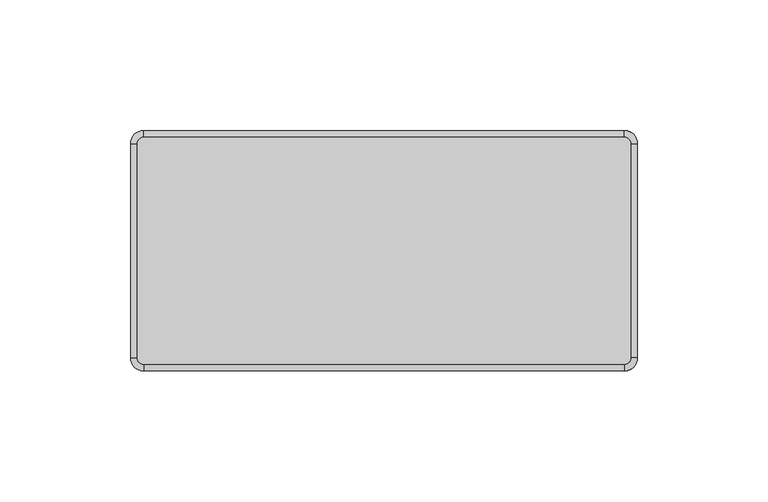
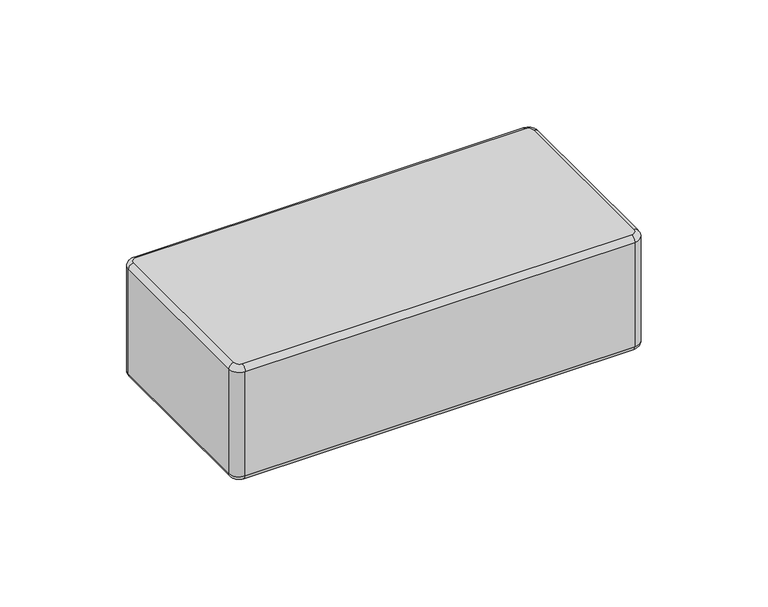
"""IFC4 building model written with IfcOpenShell, lengths in millimetres: plate geometry."""

import ifcopenshell
import ifcopenshell.guid

model = None  # the IFC model being written
_history = None  # IfcOwnerHistory: only IFC2X3 demands one
_inside = {}  # id of a spatial element -> (the spatial element, [elements in it])
_under = {}  # id of a project, library or spatial element -> (it, [spatial elements below it])
_declared = {}  # id of a project -> (the project, [libraries it declares])
_typed = {}  # id of a type object -> (the type object, [elements of that type])
_made_of = {}  # id of a material, layer set ... -> (it, [elements and type objects made of it])


def new_model(schema):
    """Start an empty IFC model of exactly this schema.

    Asked for "IFC4X3", IfcOpenShell would pick the latest addendum, in which some entities
    have other attributes; the version numbers below select the first issue.
    IFC2X3 requires an IfcOwnerHistory on every rooted entity: one is made here for all.
    """
    global model, _history
    if schema == "IFC4X3":
        model = ifcopenshell.file(schema_version=(4, 3, 0, 0))
    else:
        model = ifcopenshell.file(schema=schema)
    _inside.clear()
    _under.clear()
    _declared.clear()
    _typed.clear()
    _made_of.clear()
    _history = None
    if model.schema == "IFC2X3":
        org = make("IfcOrganization", Name="unknown")
        user = make(
            "IfcPersonAndOrganization",
            ThePerson=make("IfcPerson", FamilyName="unknown"),
            TheOrganization=org,
        )
        app = make(
            "IfcApplication",
            ApplicationDeveloper=org,
            Version="unknown",
            ApplicationFullName="unknown",
            ApplicationIdentifier="unknown",
        )
        _history = make(
            "IfcOwnerHistory",
            OwningUser=user,
            OwningApplication=app,
            ChangeAction="ADDED",
            CreationDate=0,
        )
    return model


def make(cls, **values):
    """One entity of the class cls with the attributes given. An attribute that is None is left unset."""
    return model.create_entity(
        cls, **{name: value for name, value in values.items() if value is not None}
    )


def rooted(cls, **values):
    """An entity with a GlobalId (a new one), such as an element, a storey or a relation."""
    return make(cls, GlobalId=ifcopenshell.guid.new(), OwnerHistory=_history, **values)


def si_unit(unit_type, name, prefix=None):
    """IfcSIUnit, for example si_unit("LENGTHUNIT", "METRE", prefix="MILLI")."""
    return make("IfcSIUnit", UnitType=unit_type, Prefix=prefix, Name=name)


def assignment(units):
    """IfcUnitAssignment: the units of a project."""
    return None if units is None else make("IfcUnitAssignment", Units=units)


def point(xyz):
    """IfcCartesianPoint."""
    return None if xyz is None else make("IfcCartesianPoint", Coordinates=xyz)


def direction(xyz):
    """IfcDirection."""
    return None if xyz is None else make("IfcDirection", DirectionRatios=xyz)


def frame(location, z_axis=None, x_axis=None):
    """IfcAxis2Placement3D, a coordinate frame: its origin and axes. An axis left out is left unset."""
    return make(
        "IfcAxis2Placement3D",
        Location=point(location),
        Axis=direction(z_axis),
        RefDirection=direction(x_axis),
    )


def origin():
    """The frame at (0, 0, 0) with its axes left unset."""
    return frame((0.0, 0.0, 0.0))


def place(relative_to, where):
    """IfcLocalPlacement: puts the frame where relative to a parent placement (None: the world)."""
    return make(
        "IfcLocalPlacement", PlacementRelTo=relative_to, RelativePlacement=where
    )


def context(
    kind, dimensions, precision=None, world=None, true_north=None, identifier=None
):
    """IfcGeometricRepresentationContext, for example the 3D "Model" context."""
    return make(
        "IfcGeometricRepresentationContext",
        ContextIdentifier=identifier,
        ContextType=kind,
        CoordinateSpaceDimension=dimensions,
        Precision=precision,
        WorldCoordinateSystem=world,
        TrueNorth=true_north,
    )


def project(units=None, contexts=None):
    """IfcProject with its units and contexts."""
    return rooted(
        "IfcProject",
        Name="project",
        RepresentationContexts=contexts,
        UnitsInContext=assignment(units),
    )


def spatial(cls, under=None, at=None, **own):
    """A site, building, storey or space (cls), placed at a placement, below another one or the project."""
    s = rooted(cls, ObjectPlacement=at, **own)
    if under is not None:
        _under.setdefault(under.id(), (under, []))[1].append(s)
    return s


def circle_curve(where, radius):
    """IfcCircle in the frame where."""
    return make("IfcCircle", Position=where, Radius=radius)


def ellipse_curve(where, semi_axis1, semi_axis2):
    """IfcEllipse in the frame where."""
    return make(
        "IfcEllipse", Position=where, SemiAxis1=semi_axis1, SemiAxis2=semi_axis2
    )


def trimmed(basis, trim1, trim2, sense, master):
    """IfcTrimmedCurve: the piece of a basis curve between two trims."""
    return make(
        "IfcTrimmedCurve",
        BasisCurve=basis,
        Trim1=trim1,
        Trim2=trim2,
        SenseAgreement=sense,
        MasterRepresentation=master,
    )


def shape(context_of_items, identifier, shape_type, items):
    """IfcShapeRepresentation: the items that make up one representation, for example the "Body"."""
    return make(
        "IfcShapeRepresentation",
        ContextOfItems=context_of_items,
        RepresentationIdentifier=identifier,
        RepresentationType=shape_type,
        Items=items,
    )


def source(mapping_origin, context_of_items, identifier, shape_type, items):
    """IfcRepresentationMap: a shape defined once, which mapped items show again and again."""
    return make(
        "IfcRepresentationMap",
        MappingOrigin=mapping_origin,
        MappedRepresentation=shape(context_of_items, identifier, shape_type, items),
    )


def transform(
    local_origin,
    x_axis=None,
    y_axis=None,
    z_axis=None,
    scale=None,
    scale2=None,
    scale3=None,
    uniform=True,
):
    """IfcCartesianTransformationOperator3D, or its non-uniform kind. x_axis, y_axis, z_axis: its Axis1, 2, 3."""
    if uniform:
        return make(
            "IfcCartesianTransformationOperator3D",
            Axis1=direction(x_axis),
            Axis2=direction(y_axis),
            LocalOrigin=point(local_origin),
            Scale=scale,
            Axis3=direction(z_axis),
        )
    return make(
        "IfcCartesianTransformationOperator3DnonUniform",
        Axis1=direction(x_axis),
        Axis2=direction(y_axis),
        LocalOrigin=point(local_origin),
        Scale=scale,
        Axis3=direction(z_axis),
        Scale2=scale2,
        Scale3=scale3,
    )


def mapped(mapping_source, mapping_target):
    """IfcMappedItem: shows the shape of a source again, moved by a transform."""
    return make(
        "IfcMappedItem", MappingSource=mapping_source, MappingTarget=mapping_target
    )


def made_of(thing, what):
    """Note that an element or type object is made of a material, layer set ...; save() writes the relation."""
    if what is not None:
        _made_of.setdefault(what.id(), (what, []))[1].append(thing)
    return thing


def element(
    cls,
    number,
    at=None,
    inside=None,
    cuts=None,
    type_object=None,
    material=None,
    context=None,
    identifier="Body",
    shape_type=None,
    held_by="IfcProductDefinitionShape",
    body=None,
    shapes=None,
    **own,
):
    """One element of the class cls, such as IfcWall. Its Tag is "e" and its number.

    at: its placement. inside: the storey or other place that contains it. cuts: it is an
    opening in that element (IfcRelVoidsElement). A single representation is given by context,
    identifier, shape_type and body (its items); several are given by shapes. held_by: the class
    of the entity that holds the representations. save() writes the other relations.
    """
    e = rooted(cls, Tag="e%d" % number, ObjectPlacement=at, **own)
    if body is not None:
        shapes = [shape(context, identifier, shape_type, body)]
    if shapes is not None:
        e.Representation = make(held_by, Representations=shapes)
    if inside is not None:
        _inside.setdefault(inside.id(), (inside, []))[1].append(e)
    if cuts is not None:
        rooted(
            "IfcRelVoidsElement", RelatingBuildingElement=cuts, RelatedOpeningElement=e
        )
    if type_object is not None:
        _typed.setdefault(type_object.id(), (type_object, []))[1].append(e)
    return made_of(e, material)


def aggregate(whole, parts):
    """IfcRelAggregates: a whole, such as a stair, and the parts it consists of."""
    return rooted("IfcRelAggregates", RelatingObject=whole, RelatedObjects=parts)


def save(model, path):
    """Write the relations noted so far, then the file.

    IfcRelAggregates (storeys below a building ...), IfcRelContainedInSpatialStructure (elements
    in a storey), IfcRelDefinesByType, IfcRelAssociatesMaterial and IfcRelDeclares: one each for
    every whole, place, type object, material and project.
    """
    for whole, parts in _under.values():
        aggregate(whole, parts)
    for where, things in _inside.values():
        rooted(
            "IfcRelContainedInSpatialStructure",
            RelatedElements=things,
            RelatingStructure=where,
        )
    for kind, things in _typed.values():
        rooted("IfcRelDefinesByType", RelatedObjects=things, RelatingType=kind)
    for what, things in _made_of.values():
        rooted("IfcRelAssociatesMaterial", RelatedObjects=things, RelatingMaterial=what)
    for by, libraries in _declared.values():
        rooted("IfcRelDeclares", RelatingContext=by, RelatedDefinitions=libraries)
    model.write(path)


def plane_surface(at):
    """IfcPlane: the flat surface through the origin of the frame at, square to its z axis."""
    return make("IfcPlane", Position=at)


def cylinder_surface(at, radius):
    """IfcCylindricalSurface: all points at the distance radius from the z axis of the frame at."""
    return make("IfcCylindricalSurface", Position=at, Radius=radius)


def revolved_surface(curve, axis_point, axis_direction):
    """IfcSurfaceOfRevolution: the curve turned about the line through axis_point along axis_direction."""
    return make(
        "IfcSurfaceOfRevolution",
        SweptCurve=make("IfcArbitraryOpenProfileDef", ProfileType="CURVE", Curve=curve),
        AxisPosition=make("IfcAxis1Placement", Location=point(axis_point), Axis=direction(axis_direction)),
    )


def advanced_brep(points, edges, surfaces, faces):
    """IfcAdvancedBrep: a solid bounded by faces that lie on surfaces and meet in shared edges.

    An edge is (start, end): straight between two places in points (the first is 0);
    or (start, end, curve); or (start, end, curve, False) where it runs against its curve.
    A face is (place in surfaces, loops), or (place, loops, False) where it looks against
    its surface's normal. A loop lists edges by number (the first is 1), with a minus sign
    where the edge is run from its end to its start. The first loop is the outer one.
    """
    corners = [point(p) for p in points]
    vertices = [make("IfcVertexPoint", VertexGeometry=c) for c in corners]
    made = []
    for start, end, *more in edges:
        made.append(
            make(
                "IfcEdgeCurve",
                EdgeStart=vertices[start],
                EdgeEnd=vertices[end],
                EdgeGeometry=more[0] if more else make("IfcPolyline", Points=[corners[start], corners[end]]),
                SameSense=more[1] if len(more) > 1 else True,
            )
        )
    hull = []
    for where, loops, *sense in faces:
        bounds = []
        for j, loop in enumerate(loops):
            ring = [make("IfcOrientedEdge", EdgeElement=made[abs(k) - 1], Orientation=k > 0) for k in loop]
            bounds.append(
                make(
                    "IfcFaceOuterBound" if j == 0 else "IfcFaceBound",
                    Bound=make("IfcEdgeLoop", EdgeList=ring),
                    Orientation=True,
                )
            )
        hull.append(make("IfcAdvancedFace", Bounds=bounds, FaceSurface=surfaces[where], SameSense=sense[0] if sense else True))
    return make("IfcAdvancedBrep", Outer=make("IfcClosedShell", CfsFaces=hull))


def plate_0bc2caab(model_context):
    return source(origin(), model_context, "Body", "AdvancedBrep", [
        advanced_brep(
        [(94.6624998, 41.0, 57.0), (92.1624998, 43.5, 57.0), (-91.8375002, 43.5, 57.0), (-94.3375002, 41.0, 57.0), (-94.3375002, -41.0, 57.0), (-91.8375002, -43.5, 57.0), (92.1624998, -43.5, 57.0), (94.6624998, -41.0, 57.0), (-94.3375002, 41.0, 0.0), (-91.8375002, 43.5, 0.0), (92.1624998, 43.5, 0.0), (94.6624998, 41.0, 0.0), (94.6624998, -41.0, 0.0), (92.1624998, -43.5, 0.0), (-91.8375002, -43.5, 0.0), (-94.3375002, -41.0, 0.0), (-91.8375002, -46.0, 2.5), (92.1624998, -46.0, 2.5), (92.1624998, -46.0, 54.5), (-91.8375002, -46.0, 54.5), (97.1624998, -41.0, 2.5), (97.1624998, 41.0, 2.5), (97.1624998, 41.0, 54.5000019), (97.1624998, -41.0, 54.5), (92.1624998, 46.0, 2.5), (-91.8375002, 46.0, 2.5), (-91.8375002, 46.0, 54.5), (92.1624998, 46.0, 54.5), (-96.8375002, 41.0, 2.5), (-96.8375002, -41.0, 2.5), (-96.8375002, -41.0, 54.5), (-96.8375002, 41.0, 54.5)],
        [
            (0, 1, circle_curve(frame((92.1624998, 41.0, 57.0), z_axis=(0.0, 0.0, 1.0), x_axis=(1.0, 0.0, 0.0)), 2.5)),
            (1, 2),
            (2, 3, circle_curve(frame((-91.8375002, 41.0, 57.0), z_axis=(0.0, 0.0, 1.0), x_axis=(0.0, 1.0, 0.0)), 2.5)),
            (3, 4),
            (4, 5, circle_curve(frame((-91.8375002, -41.0, 57.0), z_axis=(0.0, 0.0, 1.0), x_axis=(-1.0, 0.0, 0.0)), 2.5)),
            (5, 6),
            (6, 7, circle_curve(frame((92.1624998, -41.0, 57.0), z_axis=(0.0, 0.0, 1.0), x_axis=(0.0, -1.0, 0.0)), 2.5)),
            (7, 0),
            (8, 9, circle_curve(frame((-91.8375002, 41.0, 0.0), z_axis=(0.0, 0.0, -1.0), x_axis=(-1.0, 0.0, 0.0)), 2.5)),
            (9, 10),
            (10, 11, circle_curve(frame((92.1624998, 41.0, 0.0), z_axis=(0.0, 0.0, -1.0), x_axis=(0.0, 1.0, 0.0)), 2.5)),
            (11, 12),
            (12, 13, circle_curve(frame((92.1624998, -41.0, 0.0), z_axis=(0.0, 0.0, -1.0), x_axis=(1.0, 0.0, 0.0)), 2.5)),
            (13, 14),
            (14, 15, circle_curve(frame((-91.8375002, -41.0, 0.0), z_axis=(0.0, 0.0, -1.0), x_axis=(0.0, -1.0, 0.0)), 2.5)),
            (15, 8),
            (16, 17),
            (17, 18),
            (18, 19),
            (19, 16),
            (20, 21),
            (21, 22),
            (22, 23),
            (23, 20),
            (24, 25),
            (25, 26),
            (26, 27),
            (27, 24),
            (28, 29),
            (29, 30),
            (30, 31),
            (31, 28),
            (29, 16, circle_curve(frame((-91.8375002, -41.0, 2.5), z_axis=(0.0, 0.0, 1.0), x_axis=(1.0, 0.0, 0.0)), 5.0)),
            (19, 30, circle_curve(frame((-91.8375002, -41.0, 54.5), z_axis=(0.0, 0.0, -1.0), x_axis=(1.0, 0.0, 0.0)), 5.0)),
            (17, 20, circle_curve(frame((92.1624998, -41.0, 2.5), z_axis=(0.0, 0.0, 1.0), x_axis=(1.0, 0.0, 0.0)), 5.0)),
            (23, 18, circle_curve(frame((92.1624998, -41.0, 54.5), z_axis=(0.0, 0.0, -1.0), x_axis=(1.0, 0.0, 0.0)), 5.0)),
            (21, 24, circle_curve(frame((92.1624998, 41.0, 2.5), z_axis=(0.0, 0.0, 1.0), x_axis=(1.0, 0.0, 0.0)), 5.0)),
            (27, 22, circle_curve(frame((92.1624998, 41.0, 54.5), z_axis=(0.0, 0.0, -1.0), x_axis=(1.0, 0.0, 0.0)), 5.0)),
            (25, 28, circle_curve(frame((-91.8375002, 41.0, 2.5), z_axis=(0.0, 0.0, 1.0), x_axis=(1.0, 0.0, 0.0)), 5.0)),
            (31, 26, circle_curve(frame((-91.8375002, 41.0, 54.5), z_axis=(0.0, 0.0, -1.0), x_axis=(1.0, 0.0, 0.0)), 5.0)),
            (25, 9, circle_curve(frame((-91.8375002, 43.5, 2.5), z_axis=(-1.0, 0.0, 0.0), x_axis=(0.0, -1.0, 0.0)), 2.5)),
            (8, 28, circle_curve(frame((-94.3375002, 41.0, 2.5), z_axis=(0.0, 1.0, 0.0), x_axis=(1.0, 0.0, 0.0)), 2.5)),
            (24, 10, circle_curve(frame((92.1624998, 43.5, 2.5), z_axis=(-1.0, 0.0, 0.0), x_axis=(0.0, -1.0, 0.0)), 2.5)),
            (21, 11, circle_curve(frame((94.6624998, 41.0, 2.5), z_axis=(0.0, 1.0, 0.0), x_axis=(-1.0, 0.0, 0.0)), 2.5)),
            (20, 12, circle_curve(frame((94.6624998, -41.0, 2.5), z_axis=(0.0, 1.0, 0.0), x_axis=(-1.0, 0.0, 0.0)), 2.5)),
            (17, 13, circle_curve(frame((92.1624998, -43.5, 2.5), z_axis=(1.0, 0.0, 0.0), x_axis=(0.0, 1.0, 0.0)), 2.5)),
            (16, 14, circle_curve(frame((-91.8375002, -43.5, 2.5), z_axis=(1.0, 0.0, 0.0), x_axis=(0.0, 1.0, 0.0)), 2.5)),
            (29, 15, circle_curve(frame((-94.3375002, -41.0, 2.5), z_axis=(0.0, -1.0, 0.0), x_axis=(1.0, 0.0, 0.0)), 2.5)),
            (27, 1, circle_curve(frame((92.1624998, 43.5, 54.5), z_axis=(1.0, 0.0, 0.0), x_axis=(0.0, -1.0, 0.0)), 2.5)),
            (0, 22, circle_curve(frame((94.6624998, 41.0, 54.5), z_axis=(0.0, 1.0, 0.0), x_axis=(-1.0, 0.0, 0.0)), 2.5)),
            (26, 2, circle_curve(frame((-91.8375002, 43.5, 54.5), z_axis=(1.0, 0.0, 0.0), x_axis=(0.0, -1.0, 0.0)), 2.5)),
            (31, 3, circle_curve(frame((-94.3375002, 41.0, 54.5), z_axis=(0.0, 1.0, 0.0), x_axis=(1.0, 0.0, 0.0)), 2.5)),
            (30, 4, circle_curve(frame((-94.3375002, -41.0, 54.5), z_axis=(0.0, 1.0, 0.0), x_axis=(1.0, 0.0, 0.0)), 2.5)),
            (19, 5, circle_curve(frame((-91.8375002, -43.5, 54.5), z_axis=(-1.0, 0.0, 0.0), x_axis=(0.0, 1.0, 0.0)), 2.5)),
            (18, 6, circle_curve(frame((92.1624998, -43.5, 54.5), z_axis=(-1.0, 0.0, 0.0), x_axis=(0.0, 1.0, 0.0)), 2.5)),
            (23, 7, circle_curve(frame((94.6624998, -41.0, 54.5), z_axis=(0.0, -1.0, 0.0), x_axis=(-1.0, 0.0, 0.0)), 2.5)),
        ],
        [
            plane_surface(frame((-86.8375002, -41.0, 57.0), z_axis=(0.0, 0.0, 1.0), x_axis=(0.0, 1.0, 0.0))),
            plane_surface(frame((-86.8375002, -41.0, 0.0), z_axis=(0.0, 0.0, -1.0), x_axis=(0.0, -1.0, 0.0))),
            plane_surface(frame((-91.8375002, -46.0, 57.0), z_axis=(0.0, -1.0, 0.0), x_axis=(0.0, 0.0, -1.0))),
            plane_surface(frame((97.1624998, -41.0, 57.0), z_axis=(1.0, 0.0, 0.0), x_axis=(0.0, 0.0, -1.0))),
            plane_surface(frame((92.1624998, 46.0, 57.0), z_axis=(0.0, 1.0, 0.0), x_axis=(0.0, 0.0, -1.0))),
            plane_surface(frame((-96.8375002, 41.0, 57.0), z_axis=(-1.0, 0.0, 0.0), x_axis=(0.0, 0.0, -1.0))),
            cylinder_surface(frame((-91.8375002, -41.0, 0.0), z_axis=(0.0, 0.0, 1.0), x_axis=(1.0, 0.0, 0.0)), 5.0),
            cylinder_surface(frame((92.1624998, -41.0, 0.0), z_axis=(0.0, 0.0, 1.0), x_axis=(1.0, 0.0, 0.0)), 5.0),
            cylinder_surface(frame((92.1624998, 41.0, 0.0), z_axis=(0.0, 0.0, 1.0), x_axis=(1.0, 0.0, 0.0)), 5.0),
            cylinder_surface(frame((-91.8375002, 41.0, 0.0), z_axis=(0.0, 0.0, 1.0), x_axis=(1.0, 0.0, 0.0)), 5.0),
            revolved_surface(trimmed(ellipse_curve(frame((-94.3375002, 41.0, 2.5), z_axis=(0.0, -1.0, 0.0), x_axis=(1.0, 0.0, 0.0)), 2.5, 2.5), [point((-96.8375002, 41.0, 2.5))], [point((-94.3375002, 41.0, 0.0))], True, "CARTESIAN"), (-91.8375002, 41.0, 0.0), (0.0, 0.0, -1.0)),
            cylinder_surface(frame((-91.8375002, 43.5, 2.5), z_axis=(1.0, 0.0, 0.0), x_axis=(0.0, -1.0, 0.0)), 2.5),
            revolved_surface(trimmed(ellipse_curve(frame((92.1624998, 43.5, 2.5), z_axis=(-1.0, 0.0, 0.0), x_axis=(0.0, -1.0, 0.0)), 2.5, 2.5), [point((92.1624998, 46.0, 2.5))], [point((92.1624998, 43.5, 0.0))], True, "CARTESIAN"), (92.1624998, 41.0, 0.0), (0.0, 0.0, -1.0)),
            cylinder_surface(frame((94.6624998, 41.0, 2.5), z_axis=(0.0, -1.0, 0.0), x_axis=(-1.0, 0.0, 0.0)), 2.5),
            revolved_surface(trimmed(ellipse_curve(frame((94.6624998, -41.0, 2.5), z_axis=(0.0, 1.0, 0.0), x_axis=(-1.0, 0.0, 0.0)), 2.5, 2.5), [point((97.1624998, -41.0, 2.5))], [point((94.6624998, -41.0, 0.0))], True, "CARTESIAN"), (92.1624998, -41.0, 0.0), (0.0, 0.0, -1.0)),
            cylinder_surface(frame((92.1624998, -43.5, 2.5), z_axis=(-1.0, 0.0, 0.0), x_axis=(0.0, 1.0, 0.0)), 2.5),
            revolved_surface(trimmed(ellipse_curve(frame((-91.8375002, -43.5, 2.5), z_axis=(1.0, 0.0, 0.0), x_axis=(0.0, 1.0, 0.0)), 2.5, 2.5), [point((-91.8375002, -46.0, 2.5))], [point((-91.8375002, -43.5, 0.0))], True, "CARTESIAN"), (-91.8375002, -41.0, 0.0), (0.0, 0.0, -1.0)),
            cylinder_surface(frame((-94.3375002, -41.0, 2.5), z_axis=(0.0, 1.0, 0.0), x_axis=(1.0, 0.0, 0.0)), 2.5),
            revolved_surface(trimmed(ellipse_curve(frame((94.6624998, 41.0, 54.5), z_axis=(0.0, -1.0, 0.0), x_axis=(-1.0, 0.0, 0.0)), 2.5, 2.5), [point((97.1624998, 41.0, 54.5))], [point((94.6624998, 41.0, 57.0))], True, "CARTESIAN"), (92.1624998, 41.0, 57.0), (0.0, 0.0, 1.0)),
            cylinder_surface(frame((92.1624998, 43.5, 54.5), z_axis=(-1.0, 0.0, 0.0), x_axis=(0.0, -1.0, 0.0)), 2.5),
            revolved_surface(trimmed(ellipse_curve(frame((-91.8375002, 43.5, 54.5), z_axis=(1.0, 0.0, 0.0), x_axis=(0.0, -1.0, 0.0)), 2.5, 2.5), [point((-91.8375002, 46.0, 54.5))], [point((-91.8375002, 43.5, 57.0))], True, "CARTESIAN"), (-91.8375002, 41.0, 57.0), (0.0, 0.0, 1.0)),
            cylinder_surface(frame((-94.3375002, 41.0, 54.5), z_axis=(0.0, -1.0, 0.0), x_axis=(1.0, 0.0, 0.0)), 2.5),
            revolved_surface(trimmed(ellipse_curve(frame((-94.3375002, -41.0, 54.5), z_axis=(0.0, 1.0, 0.0), x_axis=(1.0, 0.0, 0.0)), 2.5, 2.5), [point((-96.8375002, -41.0, 54.5))], [point((-94.3375002, -41.0, 57.0))], True, "CARTESIAN"), (-91.8375002, -41.0, 57.0), (0.0, 0.0, 1.0)),
            cylinder_surface(frame((-91.8375002, -43.5, 54.5), z_axis=(1.0, 0.0, 0.0), x_axis=(0.0, 1.0, 0.0)), 2.5),
            revolved_surface(trimmed(ellipse_curve(frame((92.1624998, -43.5, 54.5), z_axis=(-1.0, 0.0, 0.0), x_axis=(0.0, 1.0, 0.0)), 2.5, 2.5), [point((92.1624998, -46.0, 54.5))], [point((92.1624998, -43.5, 57.0))], True, "CARTESIAN"), (92.1624998, -41.0, 57.0), (0.0, 0.0, 1.0)),
            cylinder_surface(frame((94.6624998, -41.0, 54.5), z_axis=(0.0, 1.0, 0.0), x_axis=(-1.0, 0.0, 0.0)), 2.5),
        ],
        [
            (0, [[1, 2, 3, 4, 5, 6, 7, 8]]),
            (1, [[9, 10, 11, 12, 13, 14, 15, 16]]),
            (2, [[17, 18, 19, 20]]),
            (3, [[21, 22, 23, 24]]),
            (4, [[25, 26, 27, 28]]),
            (5, [[29, 30, 31, 32]]),
            (6, [[33, -20, 34, -30]]),
            (7, [[35, -24, 36, -18]]),
            (8, [[37, -28, 38, -22]]),
            (9, [[39, -32, 40, -26]]),
            (10, [[41, -9, 42, -39]]),
            (11, [[-41, -25, 43, -10]]),
            (12, [[-43, -37, 44, -11]]),
            (13, [[-44, -21, 45, -12]]),
            (14, [[-45, -35, 46, -13]]),
            (15, [[-46, -17, 47, -14]]),
            (16, [[-47, -33, 48, -15]]),
            (17, [[-42, -16, -48, -29]]),
            (18, [[49, -1, 50, -38]]),
            (19, [[-49, -27, 51, -2]]),
            (20, [[-51, -40, 52, -3]]),
            (21, [[-52, -31, 53, -4]]),
            (22, [[-53, -34, 54, -5]]),
            (23, [[-54, -19, 55, -6]]),
            (24, [[-55, -36, 56, -7]]),
            (25, [[-50, -8, -56, -23]]),
        ],
    ),
    ])


if __name__ == "__main__":
    model = new_model("IFC4")
    model_context = context("Model", 3, world=origin())
    ifc_project = project(units=[si_unit("LENGTHUNIT", "METRE", prefix="MILLI")], contexts=[model_context])
    site = spatial("IfcSite", under=ifc_project)
    building = spatial("IfcBuilding", under=site)
    placement = place(None, origin())
    plate_shape = plate_0bc2caab(model_context)
    element("IfcPlate", 1, at=placement, inside=building, context=model_context, shape_type="MappedRepresentation", body=[
        mapped(plate_shape, transform((0.0, 0.0, 0.0), x_axis=(1.0, 0.0, 0.0), y_axis=(0.0, 1.0, 0.0), z_axis=(0.0, 0.0, 1.0))),
    ])
    save(model, "model.ifc")
